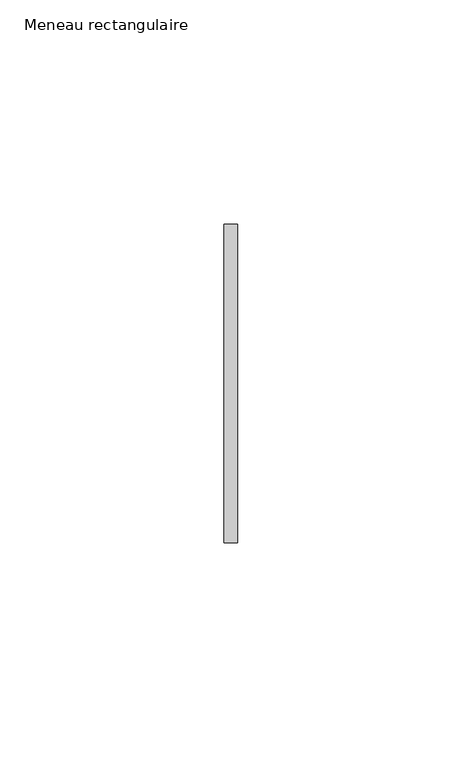
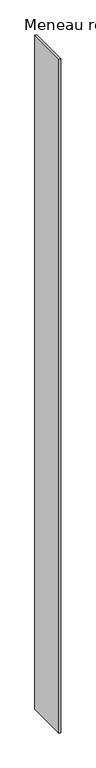
"""IFC4 building model written with IfcOpenShell, lengths in millimetres: member geometry, Meneau rectangulaire."""

from ifc_helpers import new_model, si_unit, frame, origin, place, context, project, spatial, polyline, outline, extrude, source, transform, mapped, element, save


def meneau_rectangulaire_d2cbc41d(model_context):
    return source(origin(), model_context, "Body", "SweptSolid", [
        extrude(outline(polyline([(-1.5, 35.5), (1.5, 35.5), (1.5, -35.5), (-1.5, -35.5), (-1.5, 35.5)])), frame((0.0, 0.0, -1216.0000002), z_axis=(0.0, 0.0, 1.0), x_axis=(1.0, 0.0, 0.0)), (0.0, 0.0, 1.0), 1216.0000002),
    ])


if __name__ == "__main__":
    model = new_model("IFC4")
    model_context = context("Model", 3, world=origin())
    ifc_project = project(units=[si_unit("LENGTHUNIT", "METRE", prefix="MILLI")], contexts=[model_context])
    site = spatial("IfcSite", under=ifc_project)
    building = spatial("IfcBuilding", under=site)
    placement = place(None, origin())
    meneau_rectangulaire_shape = meneau_rectangulaire_d2cbc41d(model_context)
    element("IfcMember", 1, ObjectType="Meneau rectangulaire", at=placement, inside=building, context=model_context, shape_type="MappedRepresentation", body=[
        mapped(meneau_rectangulaire_shape, transform((0.0, 0.0, 0.0), x_axis=(1.0, 0.0, 0.0), y_axis=(0.0, 1.0, 0.0), z_axis=(0.0, 0.0, 1.0))),
    ])
    save(model, "model.ifc")
